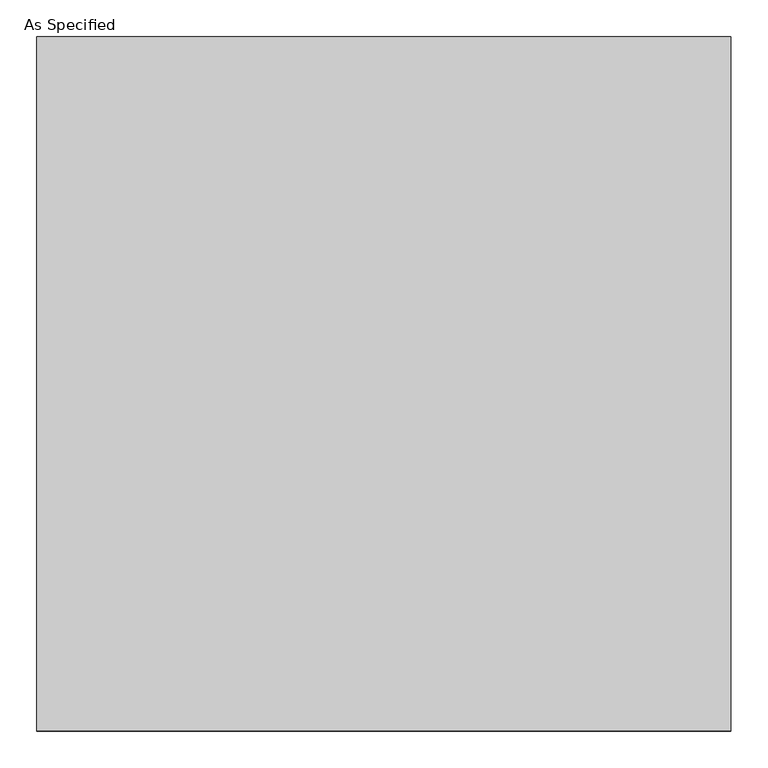
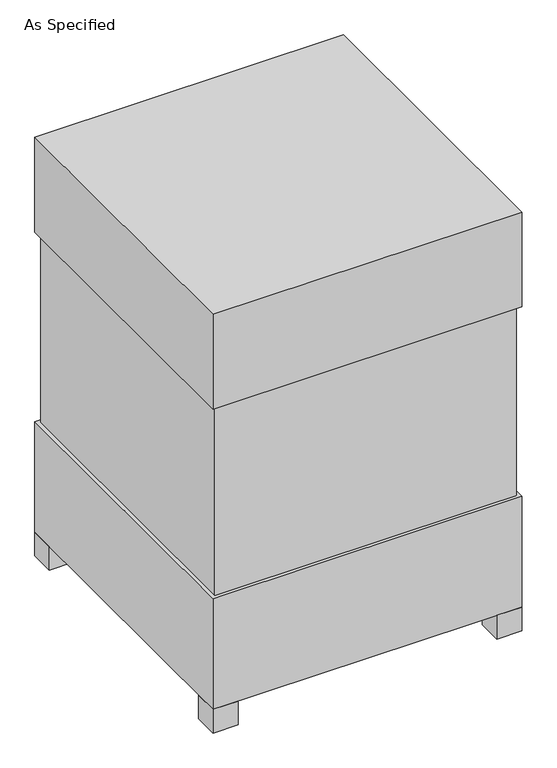
"""IFC4 building model written with IfcOpenShell, lengths in millimetres: proxy geometry, As Specified."""

from ifc_helpers import new_model, si_unit, frame, origin, origin_with_axes, place, context, project, spatial, polyline, outline, extrude, source, transform, mapped, element, save


def as_specified_56382aa3(model_context):
    return source(origin(), model_context, "Body", "SweptSolid", [
        extrude(outline(polyline([(458.7875, 458.7875), (458.7875, -458.7875), (-458.7875, -458.7875), (-458.7875, 458.7875), (458.7875, 458.7875)])), frame((0.0, 0.0, 431.8), z_axis=(0.0, 0.0, 1.0), x_axis=(1.0, 0.0, 0.0)), (0.0, 0.0, 1.0), 609.6),
        extrude(outline(polyline([(469.9, 469.9), (469.9, -469.9), (-469.9, -469.9), (-469.9, 469.9), (469.9, 469.9)])), frame((0.0, 0.0, 1041.4), z_axis=(0.0, 0.0, 1.0), x_axis=(1.0, 0.0, 0.0)), (0.0, 0.0, 1.0), 304.8),
        extrude(outline(polyline([(355.6, 254.0), (355.6, 177.8), (279.4, 177.8), (279.4, 254.0), (355.6, 254.0)])), frame((0.0, 0.0, 50.8), z_axis=(0.0, 0.0, 1.0), x_axis=(1.0, 0.0, 0.0)), (0.0, 0.0, 1.0), 25.4),
        extrude(outline(polyline([(355.6, -177.8), (355.6, -254.0), (279.4, -254.0), (279.4, -177.8), (355.6, -177.8)])), frame((0.0, 0.0, 50.8), z_axis=(0.0, 0.0, 1.0), x_axis=(1.0, 0.0, 0.0)), (0.0, 0.0, 1.0), 25.4),
        extrude(outline(polyline([(-393.7, 469.9), (-393.7, 393.7), (-469.9, 393.7), (-469.9, 469.9), (-393.7, 469.9)])), origin_with_axes(), (0.0, 0.0, 1.0), 76.2),
        extrude(outline(polyline([(469.9, 469.9), (469.9, 393.7), (393.7, 393.7), (393.7, 469.9), (469.9, 469.9)])), origin_with_axes(), (0.0, 0.0, 1.0), 76.2),
        extrude(outline(polyline([(469.9, -393.7), (469.9, -469.9), (393.7, -469.9), (393.7, -393.7), (469.9, -393.7)])), origin_with_axes(), (0.0, 0.0, 1.0), 76.2),
        extrude(outline(polyline([(-393.7, -393.7), (-393.7, -469.9), (-469.9, -469.9), (-469.9, -393.7), (-393.7, -393.7)])), origin_with_axes(), (0.0, 0.0, 1.0), 76.2),
        extrude(outline(polyline([(469.9, 469.9), (469.9, -469.9), (-469.9, -469.9), (-469.9, 469.9), (469.9, 469.9)])), frame((0.0, 0.0, 76.2), z_axis=(0.0, 0.0, 1.0), x_axis=(1.0, 0.0, 0.0)), (0.0, 0.0, 1.0), 355.6),
    ])


if __name__ == "__main__":
    model = new_model("IFC4")
    model_context = context("Model", 3, world=origin())
    ifc_project = project(units=[si_unit("LENGTHUNIT", "METRE", prefix="MILLI")], contexts=[model_context])
    site = spatial("IfcSite", under=ifc_project)
    building = spatial("IfcBuilding", under=site)
    placement = place(None, origin())
    as_specified_shape = as_specified_56382aa3(model_context)
    element("IfcBuildingElementProxy", 1, Name="As Specified", ObjectType="As Specified", at=placement, inside=building, context=model_context, shape_type="MappedRepresentation", body=[
        mapped(as_specified_shape, transform((0.0, 0.0, 0.0), x_axis=(1.0, 0.0, 0.0), y_axis=(0.0, 1.0, 0.0), z_axis=(0.0, 0.0, 1.0))),
    ])
    save(model, "model.ifc")
